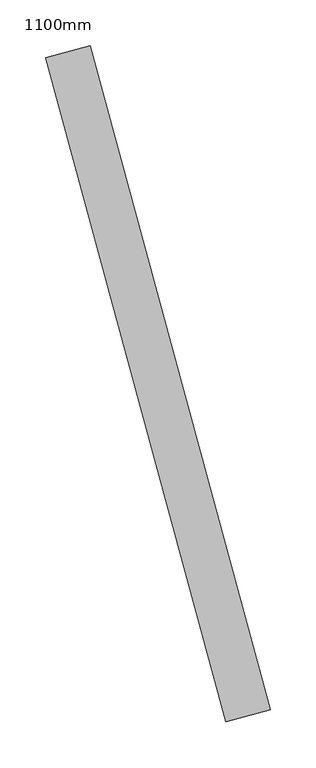
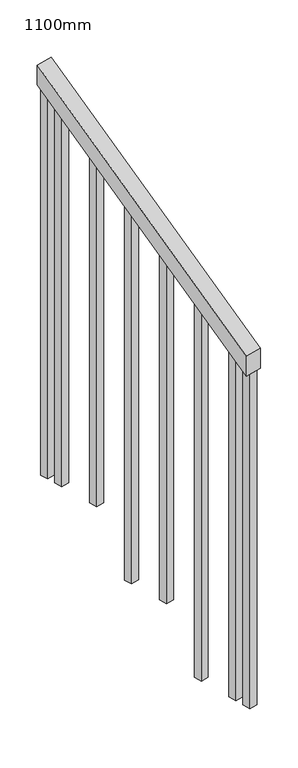
"""IFC4 building model written with IfcOpenShell, lengths in millimetres: railing geometry, 1100mm."""

from ifc_helpers import new_model, si_unit, frame, origin, place, context, project, spatial, polyline, outline, extrude, source, transform, mapped, element, save


def railing_1100mm_48526132(model_context):
    return source(origin(), model_context, "Body", "SweptSolid", [
        extrude(outline(polyline([(-35.5555555, -50.0), (0.0, 0.0), (920.2958461, 0.0), (884.7402906, -50.0), (-35.5555555, -50.0)])), frame((212780.3627034, -68979.5939458, 1277.7777778), z_axis=(0.9649894123601852, 0.2622888370341833, 0.0), x_axis=(-0.21375368431595734, 0.7864232597554186, 0.5795237863599868)), (0.0, 0.0, 1.0), 50.0),
        extrude(outline(polyline([(108.8888889, 0.0), (91.1111112, 25.0), (1271.980277, 25.0), (1271.980277, 0.0), (108.8888889, 0.0)])), frame((212615.3801061, -68324.9474819, 1805.3136103), z_axis=(0.9649894123601821, 0.2622888370341949, 0.0), x_axis=(0.0, 0.0, -1.0)), (0.0, 0.0, 1.0), 25.0),
        extrude(outline(polyline([(108.8888889, 0.0), (91.1111111, 25.0), (1183.0913881, 25.0), (1183.0913881, 0.0), (108.8888889, 0.0)])), frame((212648.1662107, -68445.5711585, 1716.4247214), z_axis=(0.9649894123601821, 0.2622888370341949, 0.0), x_axis=(0.0, 0.0, -1.0)), (0.0, 0.0, 1.0), 25.0),
        extrude(outline(polyline([(108.8888889, 0.0), (91.1111111, 25.0), (1271.9802769, 25.0), (1271.9802769, 0.0), (108.8888889, 0.0)])), frame((212680.9523153, -68566.194835, 1627.5358325), z_axis=(0.9649894123601821, 0.2622888370341949, 0.0), x_axis=(0.0, 0.0, -1.0)), (0.0, 0.0, 1.0), 25.0),
        extrude(outline(polyline([(108.8888889, 0.0), (91.1111111, 25.0), (1183.091388, 25.0), (1183.091388, 0.0), (108.8888889, 0.0)])), frame((212713.73842, -68686.8185116, 1538.6469436), z_axis=(0.9649894123601821, 0.2622888370341949, 0.0), x_axis=(0.0, 0.0, -1.0)), (0.0, 0.0, 1.0), 25.0),
        extrude(outline(polyline([(108.8888889, 0.0), (91.1111111, 25.0), (1271.9802769, 25.0), (1271.9802769, 0.0), (108.8888889, 0.0)])), frame((212746.5245246, -68807.4421881, 1449.7580547), z_axis=(0.9649894123601821, 0.2622888370341949, 0.0), x_axis=(0.0, 0.0, -1.0)), (0.0, 0.0, 1.0), 25.0),
        extrude(outline(polyline([(108.8888889, 0.0), (91.1111111, 25.0), (1183.091388, 25.0), (1183.091388, 0.0), (108.8888889, 0.0)])), frame((212779.3106292, -68928.0658647, 1360.8691658), z_axis=(0.9649894123601821, 0.2622888370341949, 0.0), x_axis=(0.0, 0.0, -1.0)), (0.0, 0.0, 1.0), 25.0),
        extrude(outline(polyline([(108.8888889, 0.0), (91.1111111, 25.0), (1307.5358325, 25.0), (1307.5358325, 0.0), (108.8888889, 0.0)])), frame((212602.2656642, -68276.6980113, 1840.8691658), z_axis=(0.9649894123601821, 0.2622888370341949, 0.0), x_axis=(0.0, 0.0, -1.0)), (0.0, 0.0, 1.0), 25.0),
        extrude(outline(polyline([(108.8888889, 0.0), (91.1111112, 25.0), (1147.5358325, 25.0), (1147.5358325, 0.0), (108.8888889, 0.0)])), frame((212792.4250711, -68976.3153353, 1325.3136103), z_axis=(0.9649894123601821, 0.2622888370341949, 0.0), x_axis=(0.0, 0.0, -1.0)), (0.0, 0.0, 1.0), 25.0),
    ])


if __name__ == "__main__":
    model = new_model("IFC4")
    model_context = context("Model", 3, world=origin())
    ifc_project = project(units=[si_unit("LENGTHUNIT", "METRE", prefix="MILLI")], contexts=[model_context])
    site = spatial("IfcSite", under=ifc_project)
    building = spatial("IfcBuilding", under=site)
    placement = place(None, origin())
    railing_1100mm_shape = railing_1100mm_48526132(model_context)
    element("IfcRailing", 1, ObjectType="1100mm", at=placement, inside=building, context=model_context, shape_type="MappedRepresentation", body=[
        mapped(railing_1100mm_shape, transform((0.0, 0.0, 0.0), x_axis=(1.0, 0.0, 0.0), y_axis=(0.0, 1.0, 0.0), z_axis=(0.0, 0.0, 1.0))),
    ])
    save(model, "model.ifc")
